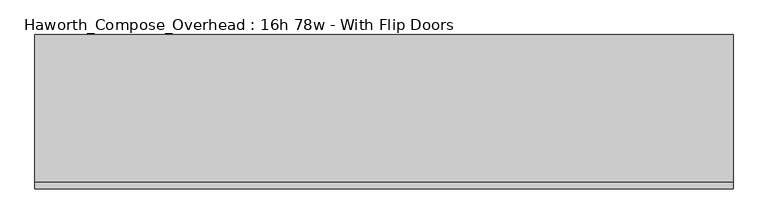
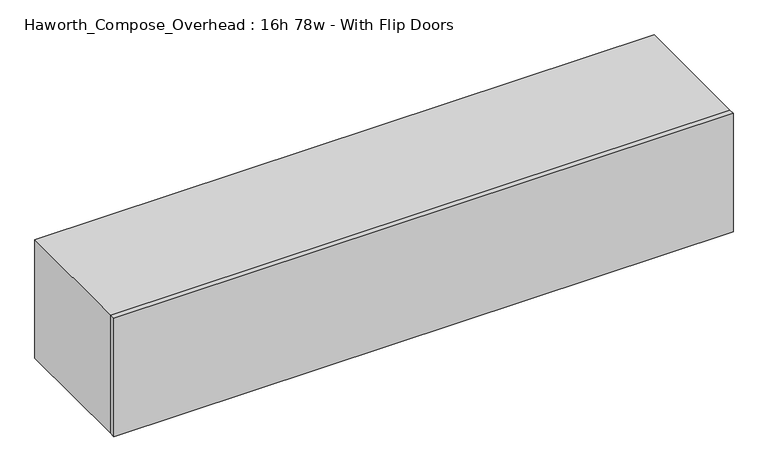
"""IFC4 building model written with IfcOpenShell, lengths in millimetres: furniture geometry, Haworth_Compose_Overhead : 16h 78w - With Flip Doors."""

from ifc_helpers import new_model, si_unit, frame, origin, place, context, project, spatial, polyline, outline, extrude, source, transform, mapped, element, save


def haworth_compose_overhead_16h_78w_with_flip_doors_ca83c3df(model_context):
    return source(origin(), model_context, "Body", "SweptSolid", [
        extrude(outline(polyline([(1155.7, -438.15), (-825.5, -438.15), (-825.5, -419.1), (1155.7, -419.1), (1155.7, -438.15)])), frame((0.0, 0.0, 1270.0), z_axis=(0.0, 0.0, 1.0), x_axis=(1.0, 0.0, 0.0)), (0.0, 0.0, 1.0), 400.05),
        extrude(outline(polyline([(1130.3, -6.35), (-800.1, -6.35), (-800.1, 0.0), (1130.3, 0.0), (1130.3, -6.35)])), frame((0.0, 0.0, 1295.4), z_axis=(0.0, 0.0, 1.0), x_axis=(1.0, 0.0, 0.0)), (0.0, 0.0, 1.0), 349.25),
        extrude(outline(polyline([(1270.0, 1155.7), (1670.05, 1155.7), (1670.05, -825.5), (1270.0, -825.5), (1270.0, 1155.7)]), holes=[polyline([(1644.65, 1130.3), (1295.4, 1130.3), (1295.4, -800.1), (1644.65, -800.1), (1644.65, 1130.3)])]), frame((0.0, -419.1, 0.0), z_axis=(0.0, 1.0, 0.0), x_axis=(0.0, 0.0, 1.0)), (0.0, 0.0, 1.0), 419.1),
    ])


if __name__ == "__main__":
    model = new_model("IFC4")
    model_context = context("Model", 3, world=origin())
    ifc_project = project(units=[si_unit("LENGTHUNIT", "METRE", prefix="MILLI")], contexts=[model_context])
    site = spatial("IfcSite", under=ifc_project)
    building = spatial("IfcBuilding", under=site)
    placement = place(None, origin())
    haworth_compose_overhead_16h_78w_with_flip_doors_shape = haworth_compose_overhead_16h_78w_with_flip_doors_ca83c3df(model_context)
    element("IfcFurniture", 1, ObjectType="Haworth_Compose_Overhead : 16h 78w - With Flip Doors", at=placement, inside=building, context=model_context, shape_type="MappedRepresentation", body=[
        mapped(haworth_compose_overhead_16h_78w_with_flip_doors_shape, transform((0.0, 0.0, 0.0), x_axis=(1.0, 0.0, 0.0), y_axis=(0.0, 1.0, 0.0), z_axis=(0.0, 0.0, 1.0))),
    ])
    save(model, "model.ifc")
